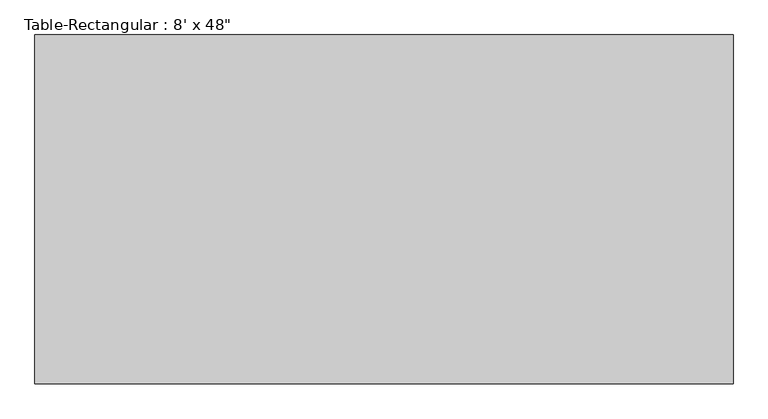
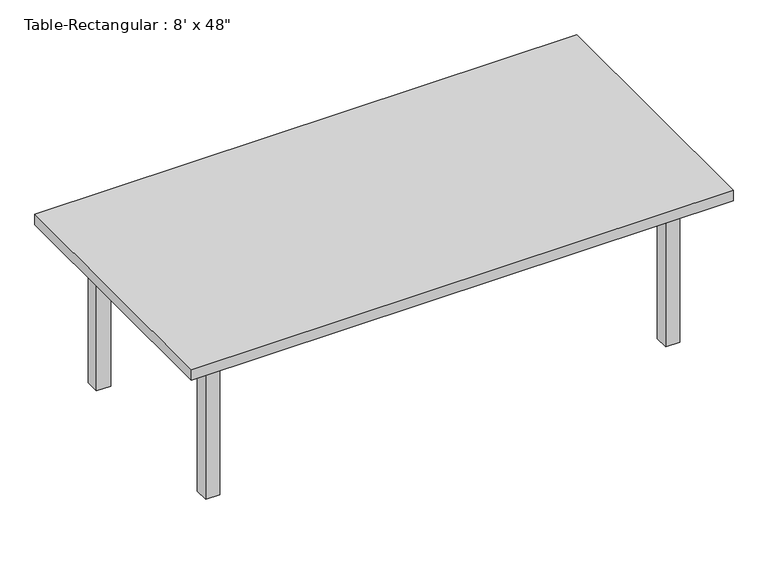
"""IFC4 building model written with IfcOpenShell, lengths in millimetres: furniture geometry."""

from ifc_helpers import new_model, si_unit, frame, origin, origin_with_axes, place, context, project, spatial, polyline, outline, extrude, source, transform, mapped, element, save


def furniture_e9acd458(model_context):
    return source(origin(), model_context, "Body", "SweptSolid", [
        extrude(outline(polyline([(1003.3, 419.1), (1003.3, 393.7), (-1003.3, 393.7), (-1003.3, 419.1), (1003.3, 419.1)])), frame((0.0, 0.0, 609.6), z_axis=(0.0, 0.0, 1.0), x_axis=(1.0, 0.0, 0.0)), (0.0, 0.0, 1.0), 101.6),
        extrude(outline(polyline([(1003.3, -419.1), (-1003.3, -419.1), (-1003.3, -393.7), (1003.3, -393.7), (1003.3, -419.1)])), frame((0.0, 0.0, 609.6), z_axis=(0.0, 0.0, 1.0), x_axis=(1.0, 0.0, 0.0)), (0.0, 0.0, 1.0), 101.6),
        extrude(outline(polyline([(-1016.0, -393.7), (-1041.4, -393.7), (-1041.4, 393.7), (-1016.0, 393.7), (-1016.0, -393.7)])), frame((0.0, 0.0, 609.6), z_axis=(0.0, 0.0, 1.0), x_axis=(1.0, 0.0, 0.0)), (0.0, 0.0, 1.0), 101.6),
        extrude(outline(polyline([(1016.0, -393.7), (1016.0, 393.7), (1041.4, 393.7), (1041.4, -393.7), (1016.0, -393.7)])), frame((0.0, 0.0, 609.6), z_axis=(0.0, 0.0, 1.0), x_axis=(1.0, 0.0, 0.0)), (0.0, 0.0, 1.0), 101.6),
        extrude(outline(polyline([(1219.2, 609.6), (1219.2, -609.6), (-1219.2, -609.6), (-1219.2, 609.6), (1219.2, 609.6)])), frame((0.0, 0.0, 711.2), z_axis=(0.0, 0.0, 1.0), x_axis=(1.0, 0.0, 0.0)), (0.0, 0.0, 1.0), 50.8),
        extrude(outline(polyline([(-1003.3, 457.2), (-1003.3, 393.7), (-1066.8, 393.7), (-1066.8, 457.2), (-1003.3, 457.2)])), origin_with_axes(), (0.0, 0.0, 1.0), 711.2),
        extrude(outline(polyline([(1003.3, 457.2), (1066.8, 457.2), (1066.8, 393.7), (1003.3, 393.7), (1003.3, 457.2)])), origin_with_axes(), (0.0, 0.0, 1.0), 711.2),
        extrude(outline(polyline([(-1003.3, -457.2), (-1066.8, -457.2), (-1066.8, -393.7), (-1003.3, -393.7), (-1003.3, -457.2)])), origin_with_axes(), (0.0, 0.0, 1.0), 711.2),
        extrude(outline(polyline([(1003.3, -457.2), (1003.3, -393.7), (1066.8, -393.7), (1066.8, -457.2), (1003.3, -457.2)])), origin_with_axes(), (0.0, 0.0, 1.0), 711.2),
    ])


if __name__ == "__main__":
    model = new_model("IFC4")
    model_context = context("Model", 3, world=origin())
    ifc_project = project(units=[si_unit("LENGTHUNIT", "METRE", prefix="MILLI")], contexts=[model_context])
    site = spatial("IfcSite", under=ifc_project)
    building = spatial("IfcBuilding", under=site)
    placement = place(None, origin())
    furniture_shape = furniture_e9acd458(model_context)
    element("IfcFurniture", 1, ObjectType="Table-Rectangular : 8' x 48\"", at=placement, inside=building, context=model_context, shape_type="MappedRepresentation", body=[
        mapped(furniture_shape, transform((0.0, 0.0, 0.0), x_axis=(1.0, 0.0, 0.0), y_axis=(0.0, 1.0, 0.0), z_axis=(0.0, 0.0, 1.0))),
    ])
    save(model, "model.ifc")
